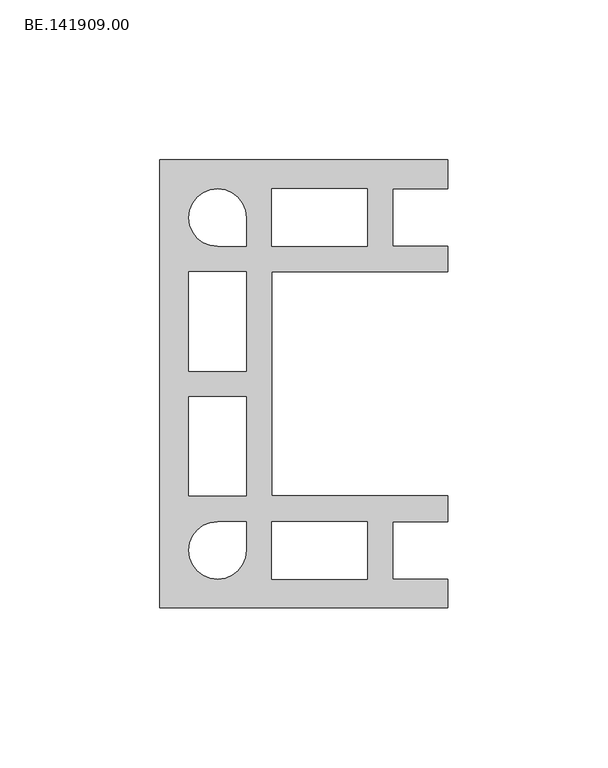
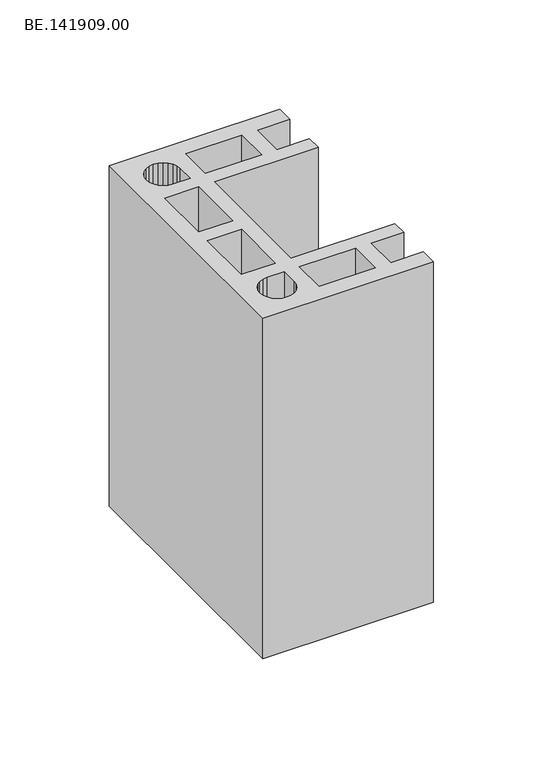
"""IFC4 building model written with IfcOpenShell, lengths in millimetres: proxy geometry, BE.141909.00."""

from ifc_helpers import new_model, si_unit, origin, origin_with_axes, place, context, project, spatial, polyline, outline, extrude, source, transform, mapped, element, save


def be_141909_00_79ae8958(model_context):
    return source(origin(), model_context, "Body", "SweptSolid", [
        extrude(outline(polyline([(5.0, 70.0050293), (95.0, 70.0050293), (95.0, 60.9823242), (77.7359375, 60.9823242), (77.7359375, 42.9927246), (95.0, 42.9927246), (95.0, 34.9932129), (39.9894043, 34.9932129), (39.9894043, -35.0118164), (95.0, -35.0118164), (95.0, -43.0113281), (77.7359375, -43.0113281), (77.7359375, -61.0195312), (95.0, -61.0195312), (95.0, -70.0050293), (5.0, -70.0050293), (5.0, 70.0050293)]), holes=[polyline([(31.9898926, 42.9927246), (31.9898926, 51.9782227), (31.6922363, 54.3222656), (30.7806641, 56.4802734), (29.3667969, 58.3592285), (27.4878418, 59.7730957), (25.329834, 60.684668), (22.985791, 60.9823242), (20.6603516, 60.684668), (18.5023438, 59.7730957), (16.6233887, 58.3592285), (15.2095215, 56.4802734), (14.2979492, 54.3222656), (14.000293, 51.9782227), (14.2979492, 49.6527832), (15.2095215, 47.4947754), (16.6233887, 45.6158203), (18.5023438, 44.2019531), (20.6603516, 43.2903809), (22.985791, 42.9927246), (31.9898926, 42.9927246)]), polyline([(14.000293, 34.9932129), (14.000293, 3.9811523), (31.9898926, 3.9811523), (31.9898926, 34.9932129), (14.000293, 34.9932129)]), polyline([(14.000293, -4.0183594), (14.000293, -35.0118164), (31.9898926, -35.0118164), (31.9898926, -4.0183594), (14.000293, -4.0183594)]), polyline([(31.9898926, -43.0113281), (22.985791, -43.0113281), (20.6603516, -43.3275879), (18.5023438, -44.2205566), (16.6233887, -45.6530273), (15.2095215, -47.5133789), (14.2979492, -49.6899902), (14.000293, -52.0154297), (14.2979492, -54.3408691), (15.2095215, -56.5174805), (16.6233887, -58.377832), (18.5023438, -59.8103027), (20.6603516, -60.7032715), (22.985791, -61.0195312), (25.329834, -60.7032715), (27.4878418, -59.8103027), (29.3667969, -58.377832), (30.7806641, -56.5174805), (31.6922363, -54.3408691), (31.9898926, -52.0154297), (31.9898926, -43.0113281)]), polyline([(39.9894043, 60.9823242), (39.9894043, 42.9927246), (69.7364258, 42.9927246), (69.7364258, 60.9823242), (39.9894043, 60.9823242)]), polyline([(39.9894043, -43.0113281), (39.9894043, -61.0195312), (69.7364258, -61.0195312), (69.7364258, -43.0113281), (39.9894043, -43.0113281)])]), origin_with_axes(), (0.0, 0.0, 1.0), 190.0),
    ])


if __name__ == "__main__":
    model = new_model("IFC4")
    model_context = context("Model", 3, world=origin())
    ifc_project = project(units=[si_unit("LENGTHUNIT", "METRE", prefix="MILLI")], contexts=[model_context])
    site = spatial("IfcSite", under=ifc_project)
    building = spatial("IfcBuilding", under=site)
    placement = place(None, origin())
    be_141909_00_shape = be_141909_00_79ae8958(model_context)
    element("IfcBuildingElementProxy", 1, Name="BE.141909.00", ObjectType="BE.141909.00", at=placement, inside=building, context=model_context, shape_type="MappedRepresentation", body=[
        mapped(be_141909_00_shape, transform((0.0, 0.0, 0.0), x_axis=(1.0, 0.0, 0.0), y_axis=(0.0, 1.0, 0.0), z_axis=(0.0, 0.0, 1.0))),
    ])
    save(model, "model.ifc")
